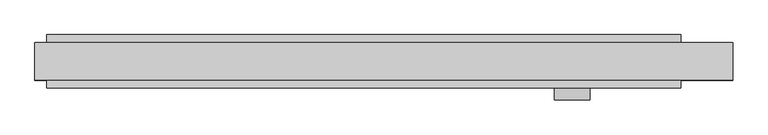
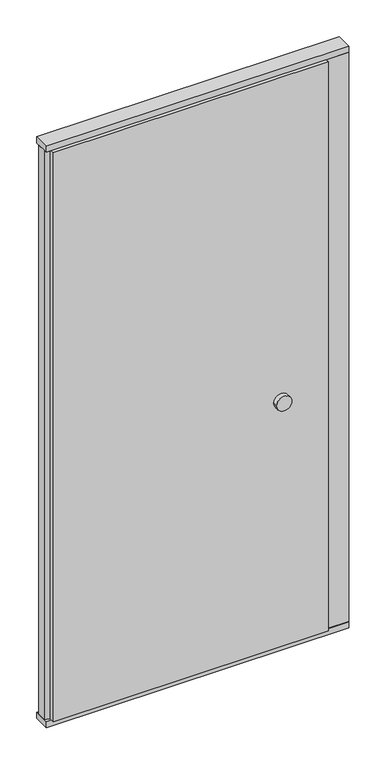
"""IFC4 building model written with IfcOpenShell, lengths in millimetres: plate geometry."""

from ifc_helpers import new_model, si_unit, point, frame, frame_2d, origin, origin_with_axes, place, context, project, spatial, polyline, circle_curve, trimmed, segment, composite_curve, outline, extrude, source, transform, mapped, element, save


def plate_1cbc704f(model_context):
    return source(origin(), model_context, "Body", "SweptSolid", [
        extrude(outline(polyline([(502.0507813, 45.0), (502.0507813, 30.5), (590.0, 30.5), (590.0, -30.5), (502.0507813, -30.5), (502.0507813, -45.0), (-570.0, -45.0), (-570.0, -22.9993165), (-590.0, -17.6401049), (-590.0, 17.6401049), (-570.0, 22.9993165), (-570.0, 45.0), (502.0507813, 45.0)])), frame((0.0, 0.0, 25.0), z_axis=(0.0, 0.0, 1.0), x_axis=(1.0, 0.0, 0.0)), (0.0, 0.0, 1.0), 2350.0),
        extrude(outline(polyline([(-590.0, -32.0), (-590.0, 32.0), (590.0, 32.0), (590.0, -32.0), (-590.0, -32.0)])), origin_with_axes(), (0.0, 0.0, 1.0), 25.0),
        extrude(outline(polyline([(-590.0, -32.0), (-590.0, 32.0), (590.0, 32.0), (590.0, -32.0), (-590.0, -32.0)])), frame((0.0, 0.0, 2375.0), z_axis=(0.0, 0.0, 1.0), x_axis=(1.0, 0.0, 0.0)), (0.0, 0.0, 1.0), 25.0),
        extrude(outline(composite_curve([segment(trimmed(circle_curve(frame_2d((1040.0, 318.9738813)), 30.0), [point((1040.0, 348.9738813))], [point((1040.0, 288.9738813))], False, "CARTESIAN"), True, "CONTINUOUS"), segment(trimmed(circle_curve(frame_2d((1040.0, 318.9738813)), 30.0), [point((1040.0, 288.9738813))], [point((1040.0, 348.9738813))], False, "CARTESIAN"), True, "CONTINUOUS")], self_intersect=False)), frame((0.0, -65.0, 0.0), z_axis=(0.0, 1.0, 0.0), x_axis=(0.0, 0.0, 1.0)), (0.0, 0.0, 1.0), 20.0),
    ])


if __name__ == "__main__":
    model = new_model("IFC4")
    model_context = context("Model", 3, world=origin())
    ifc_project = project(units=[si_unit("LENGTHUNIT", "METRE", prefix="MILLI")], contexts=[model_context])
    site = spatial("IfcSite", under=ifc_project)
    building = spatial("IfcBuilding", under=site)
    placement = place(None, origin())
    plate_shape = plate_1cbc704f(model_context)
    element("IfcPlate", 1, at=placement, inside=building, context=model_context, shape_type="MappedRepresentation", body=[
        mapped(plate_shape, transform((0.0, 0.0, 0.0), x_axis=(1.0, 0.0, 0.0), y_axis=(0.0, 1.0, 0.0), z_axis=(0.0, 0.0, 1.0))),
    ])
    save(model, "model.ifc")
